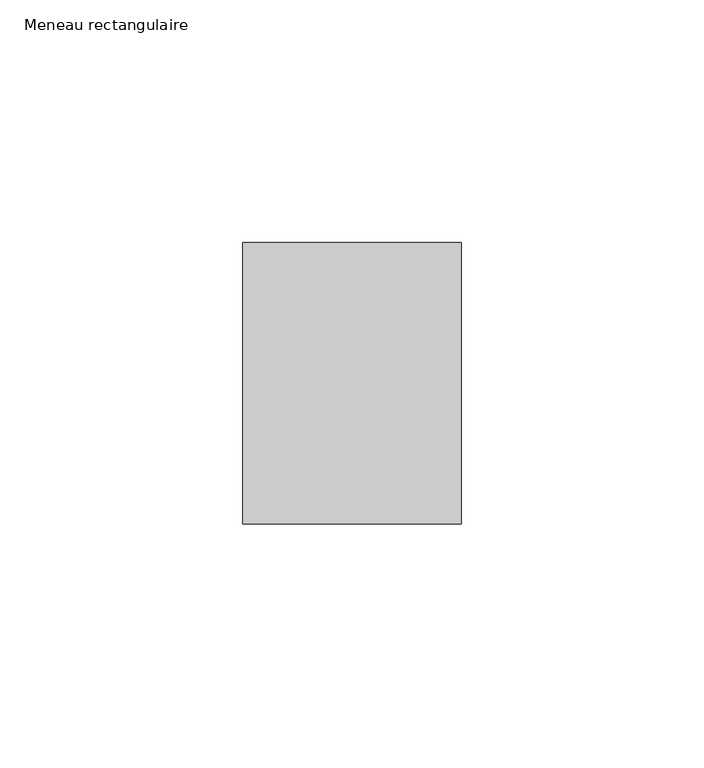
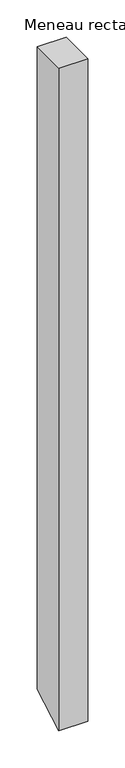
"""IFC4 building model written with IfcOpenShell, lengths in millimetres: member geometry, Meneau rectangulaire."""

import ifcopenshell
import ifcopenshell.guid

model = None  # the IFC model being written
_history = None  # IfcOwnerHistory: only IFC2X3 demands one
_inside = {}  # id of a spatial element -> (the spatial element, [elements in it])
_under = {}  # id of a project, library or spatial element -> (it, [spatial elements below it])
_declared = {}  # id of a project -> (the project, [libraries it declares])
_typed = {}  # id of a type object -> (the type object, [elements of that type])
_made_of = {}  # id of a material, layer set ... -> (it, [elements and type objects made of it])


def new_model(schema):
    """Start an empty IFC model of exactly this schema.

    Asked for "IFC4X3", IfcOpenShell would pick the latest addendum, in which some entities
    have other attributes; the version numbers below select the first issue.
    IFC2X3 requires an IfcOwnerHistory on every rooted entity: one is made here for all.
    """
    global model, _history
    if schema == "IFC4X3":
        model = ifcopenshell.file(schema_version=(4, 3, 0, 0))
    else:
        model = ifcopenshell.file(schema=schema)
    _inside.clear()
    _under.clear()
    _declared.clear()
    _typed.clear()
    _made_of.clear()
    _history = None
    if model.schema == "IFC2X3":
        org = make("IfcOrganization", Name="unknown")
        user = make(
            "IfcPersonAndOrganization",
            ThePerson=make("IfcPerson", FamilyName="unknown"),
            TheOrganization=org,
        )
        app = make(
            "IfcApplication",
            ApplicationDeveloper=org,
            Version="unknown",
            ApplicationFullName="unknown",
            ApplicationIdentifier="unknown",
        )
        _history = make(
            "IfcOwnerHistory",
            OwningUser=user,
            OwningApplication=app,
            ChangeAction="ADDED",
            CreationDate=0,
        )
    return model


def make(cls, **values):
    """One entity of the class cls with the attributes given. An attribute that is None is left unset."""
    return model.create_entity(
        cls, **{name: value for name, value in values.items() if value is not None}
    )


def rooted(cls, **values):
    """An entity with a GlobalId (a new one), such as an element, a storey or a relation."""
    return make(cls, GlobalId=ifcopenshell.guid.new(), OwnerHistory=_history, **values)


def si_unit(unit_type, name, prefix=None):
    """IfcSIUnit, for example si_unit("LENGTHUNIT", "METRE", prefix="MILLI")."""
    return make("IfcSIUnit", UnitType=unit_type, Prefix=prefix, Name=name)


def assignment(units):
    """IfcUnitAssignment: the units of a project."""
    return None if units is None else make("IfcUnitAssignment", Units=units)


def point(xyz):
    """IfcCartesianPoint."""
    return None if xyz is None else make("IfcCartesianPoint", Coordinates=xyz)


def direction(xyz):
    """IfcDirection."""
    return None if xyz is None else make("IfcDirection", DirectionRatios=xyz)


def frame(location, z_axis=None, x_axis=None):
    """IfcAxis2Placement3D, a coordinate frame: its origin and axes. An axis left out is left unset."""
    return make(
        "IfcAxis2Placement3D",
        Location=point(location),
        Axis=direction(z_axis),
        RefDirection=direction(x_axis),
    )


def origin():
    """The frame at (0, 0, 0) with its axes left unset."""
    return frame((0.0, 0.0, 0.0))


def place(relative_to, where):
    """IfcLocalPlacement: puts the frame where relative to a parent placement (None: the world)."""
    return make(
        "IfcLocalPlacement", PlacementRelTo=relative_to, RelativePlacement=where
    )


def context(
    kind, dimensions, precision=None, world=None, true_north=None, identifier=None
):
    """IfcGeometricRepresentationContext, for example the 3D "Model" context."""
    return make(
        "IfcGeometricRepresentationContext",
        ContextIdentifier=identifier,
        ContextType=kind,
        CoordinateSpaceDimension=dimensions,
        Precision=precision,
        WorldCoordinateSystem=world,
        TrueNorth=true_north,
    )


def project(units=None, contexts=None):
    """IfcProject with its units and contexts."""
    return rooted(
        "IfcProject",
        Name="project",
        RepresentationContexts=contexts,
        UnitsInContext=assignment(units),
    )


def spatial(cls, under=None, at=None, **own):
    """A site, building, storey or space (cls), placed at a placement, below another one or the project."""
    s = rooted(cls, ObjectPlacement=at, **own)
    if under is not None:
        _under.setdefault(under.id(), (under, []))[1].append(s)
    return s


def polyline(points):
    """IfcPolyline through the points."""
    return make("IfcPolyline", Points=[point(p) for p in points])


def outline(outer, holes=None, kind="AREA"):
    """IfcArbitraryClosedProfileDef: a profile drawn as a closed curve; with holes, ...WithVoids."""
    if holes is None:
        return make("IfcArbitraryClosedProfileDef", ProfileType=kind, OuterCurve=outer)
    return make(
        "IfcArbitraryProfileDefWithVoids",
        ProfileType=kind,
        OuterCurve=outer,
        InnerCurves=holes,
    )


def extrude(swept, where, along, depth):
    """IfcExtrudedAreaSolid: the profile swept, set in the frame where, extruded along a direction by depth."""
    return make(
        "IfcExtrudedAreaSolid",
        SweptArea=swept,
        Position=where,
        ExtrudedDirection=direction(along),
        Depth=depth,
    )


def shape(context_of_items, identifier, shape_type, items):
    """IfcShapeRepresentation: the items that make up one representation, for example the "Body"."""
    return make(
        "IfcShapeRepresentation",
        ContextOfItems=context_of_items,
        RepresentationIdentifier=identifier,
        RepresentationType=shape_type,
        Items=items,
    )


def source(mapping_origin, context_of_items, identifier, shape_type, items):
    """IfcRepresentationMap: a shape defined once, which mapped items show again and again."""
    return make(
        "IfcRepresentationMap",
        MappingOrigin=mapping_origin,
        MappedRepresentation=shape(context_of_items, identifier, shape_type, items),
    )


def transform(
    local_origin,
    x_axis=None,
    y_axis=None,
    z_axis=None,
    scale=None,
    scale2=None,
    scale3=None,
    uniform=True,
):
    """IfcCartesianTransformationOperator3D, or its non-uniform kind. x_axis, y_axis, z_axis: its Axis1, 2, 3."""
    if uniform:
        return make(
            "IfcCartesianTransformationOperator3D",
            Axis1=direction(x_axis),
            Axis2=direction(y_axis),
            LocalOrigin=point(local_origin),
            Scale=scale,
            Axis3=direction(z_axis),
        )
    return make(
        "IfcCartesianTransformationOperator3DnonUniform",
        Axis1=direction(x_axis),
        Axis2=direction(y_axis),
        LocalOrigin=point(local_origin),
        Scale=scale,
        Axis3=direction(z_axis),
        Scale2=scale2,
        Scale3=scale3,
    )


def mapped(mapping_source, mapping_target):
    """IfcMappedItem: shows the shape of a source again, moved by a transform."""
    return make(
        "IfcMappedItem", MappingSource=mapping_source, MappingTarget=mapping_target
    )


def made_of(thing, what):
    """Note that an element or type object is made of a material, layer set ...; save() writes the relation."""
    if what is not None:
        _made_of.setdefault(what.id(), (what, []))[1].append(thing)
    return thing


def element(
    cls,
    number,
    at=None,
    inside=None,
    cuts=None,
    type_object=None,
    material=None,
    context=None,
    identifier="Body",
    shape_type=None,
    held_by="IfcProductDefinitionShape",
    body=None,
    shapes=None,
    **own,
):
    """One element of the class cls, such as IfcWall. Its Tag is "e" and its number.

    at: its placement. inside: the storey or other place that contains it. cuts: it is an
    opening in that element (IfcRelVoidsElement). A single representation is given by context,
    identifier, shape_type and body (its items); several are given by shapes. held_by: the class
    of the entity that holds the representations. save() writes the other relations.
    """
    e = rooted(cls, Tag="e%d" % number, ObjectPlacement=at, **own)
    if body is not None:
        shapes = [shape(context, identifier, shape_type, body)]
    if shapes is not None:
        e.Representation = make(held_by, Representations=shapes)
    if inside is not None:
        _inside.setdefault(inside.id(), (inside, []))[1].append(e)
    if cuts is not None:
        rooted(
            "IfcRelVoidsElement", RelatingBuildingElement=cuts, RelatedOpeningElement=e
        )
    if type_object is not None:
        _typed.setdefault(type_object.id(), (type_object, []))[1].append(e)
    return made_of(e, material)


def aggregate(whole, parts):
    """IfcRelAggregates: a whole, such as a stair, and the parts it consists of."""
    return rooted("IfcRelAggregates", RelatingObject=whole, RelatedObjects=parts)


def save(model, path):
    """Write the relations noted so far, then the file.

    IfcRelAggregates (storeys below a building ...), IfcRelContainedInSpatialStructure (elements
    in a storey), IfcRelDefinesByType, IfcRelAssociatesMaterial and IfcRelDeclares: one each for
    every whole, place, type object, material and project.
    """
    for whole, parts in _under.values():
        aggregate(whole, parts)
    for where, things in _inside.values():
        rooted(
            "IfcRelContainedInSpatialStructure",
            RelatedElements=things,
            RelatingStructure=where,
        )
    for kind, things in _typed.values():
        rooted("IfcRelDefinesByType", RelatedObjects=things, RelatingType=kind)
    for what, things in _made_of.values():
        rooted("IfcRelAssociatesMaterial", RelatedObjects=things, RelatingMaterial=what)
    for by, libraries in _declared.values():
        rooted("IfcRelDeclares", RelatingContext=by, RelatedDefinitions=libraries)
    model.write(path)


def meneau_rectangulaire_e5866b8c(model_context):
    return source(origin(), model_context, "Body", "SweptSolid", [
        extrude(outline(polyline([(-29.0, 0.0), (29.0, 0.0), (29.0, -1054.6399111), (-29.0, -1088.1262267), (-29.0, 0.0)])), frame((-45.0, 0.0, 0.0), z_axis=(1.0, 0.0, 0.0), x_axis=(0.0, 1.0, 0.0)), (0.0, 0.0, 1.0), 45.0),
    ])


if __name__ == "__main__":
    model = new_model("IFC4")
    model_context = context("Model", 3, world=origin())
    ifc_project = project(units=[si_unit("LENGTHUNIT", "METRE", prefix="MILLI")], contexts=[model_context])
    site = spatial("IfcSite", under=ifc_project)
    building = spatial("IfcBuilding", under=site)
    placement = place(None, origin())
    meneau_rectangulaire_shape = meneau_rectangulaire_e5866b8c(model_context)
    element("IfcMember", 1, ObjectType="Meneau rectangulaire", at=placement, inside=building, context=model_context, shape_type="MappedRepresentation", body=[
        mapped(meneau_rectangulaire_shape, transform((0.0, 0.0, 0.0), x_axis=(1.0, 0.0, 0.0), y_axis=(0.0, 1.0, 0.0), z_axis=(0.0, 0.0, 1.0))),
    ])
    save(model, "model.ifc")
